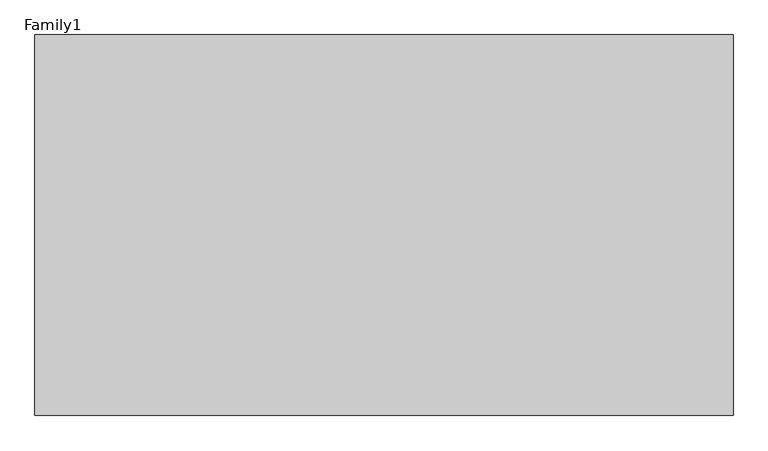
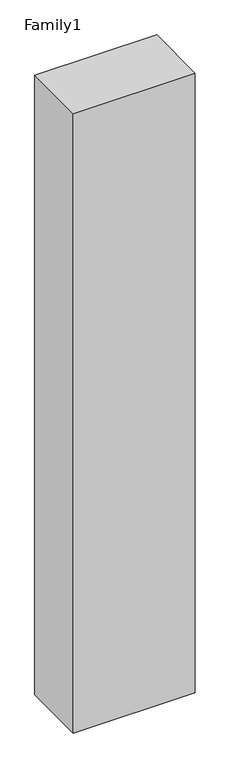
"""IFC4 building model written with IfcOpenShell, lengths in millimetres: proxy geometry, Family1."""

from ifc_helpers import new_model, si_unit, origin, origin_with_axes, place, context, project, spatial, polyline, outline, extrude, source, transform, mapped, element, save


def family1_1ed43506(model_context):
    return source(origin(), model_context, "Body", "SweptSolid", [
        extrude(outline(polyline([(5500.0, 0.0), (0.0, 0.0), (0.0, 3000.0), (5500.0, 3000.0), (5500.0, 0.0)])), origin_with_axes(), (0.0, 0.0, 1.0), 29500.0),
    ])


if __name__ == "__main__":
    model = new_model("IFC4")
    model_context = context("Model", 3, world=origin())
    ifc_project = project(units=[si_unit("LENGTHUNIT", "METRE", prefix="MILLI")], contexts=[model_context])
    site = spatial("IfcSite", under=ifc_project)
    building = spatial("IfcBuilding", under=site)
    placement = place(None, origin())
    family1_shape = family1_1ed43506(model_context)
    element("IfcBuildingElementProxy", 1, Name="Family1", ObjectType="Family1", at=placement, inside=building, context=model_context, shape_type="MappedRepresentation", body=[
        mapped(family1_shape, transform((0.0, 0.0, 0.0), x_axis=(1.0, 0.0, 0.0), y_axis=(0.0, 1.0, 0.0), z_axis=(0.0, 0.0, 1.0))),
    ])
    save(model, "model.ifc")
